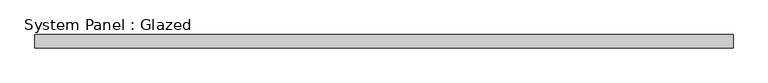
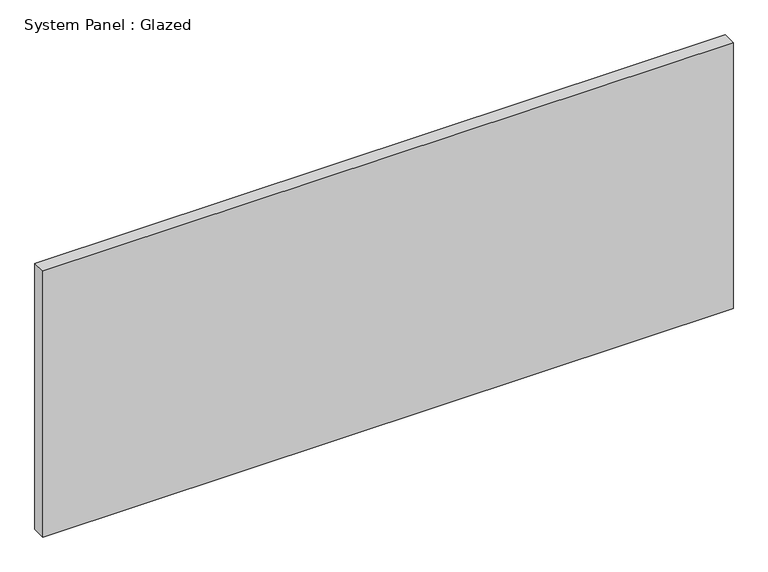
"""IFC4 building model written with IfcOpenShell, lengths in millimetres: plate geometry, System Panel : Glazed."""

import ifcopenshell
import ifcopenshell.guid

model = None  # the IFC model being written
_history = None  # IfcOwnerHistory: only IFC2X3 demands one
_inside = {}  # id of a spatial element -> (the spatial element, [elements in it])
_under = {}  # id of a project, library or spatial element -> (it, [spatial elements below it])
_declared = {}  # id of a project -> (the project, [libraries it declares])
_typed = {}  # id of a type object -> (the type object, [elements of that type])
_made_of = {}  # id of a material, layer set ... -> (it, [elements and type objects made of it])


def new_model(schema):
    """Start an empty IFC model of exactly this schema.

    Asked for "IFC4X3", IfcOpenShell would pick the latest addendum, in which some entities
    have other attributes; the version numbers below select the first issue.
    IFC2X3 requires an IfcOwnerHistory on every rooted entity: one is made here for all.
    """
    global model, _history
    if schema == "IFC4X3":
        model = ifcopenshell.file(schema_version=(4, 3, 0, 0))
    else:
        model = ifcopenshell.file(schema=schema)
    _inside.clear()
    _under.clear()
    _declared.clear()
    _typed.clear()
    _made_of.clear()
    _history = None
    if model.schema == "IFC2X3":
        org = make("IfcOrganization", Name="unknown")
        user = make(
            "IfcPersonAndOrganization",
            ThePerson=make("IfcPerson", FamilyName="unknown"),
            TheOrganization=org,
        )
        app = make(
            "IfcApplication",
            ApplicationDeveloper=org,
            Version="unknown",
            ApplicationFullName="unknown",
            ApplicationIdentifier="unknown",
        )
        _history = make(
            "IfcOwnerHistory",
            OwningUser=user,
            OwningApplication=app,
            ChangeAction="ADDED",
            CreationDate=0,
        )
    return model


def make(cls, **values):
    """One entity of the class cls with the attributes given. An attribute that is None is left unset."""
    return model.create_entity(
        cls, **{name: value for name, value in values.items() if value is not None}
    )


def rooted(cls, **values):
    """An entity with a GlobalId (a new one), such as an element, a storey or a relation."""
    return make(cls, GlobalId=ifcopenshell.guid.new(), OwnerHistory=_history, **values)


def si_unit(unit_type, name, prefix=None):
    """IfcSIUnit, for example si_unit("LENGTHUNIT", "METRE", prefix="MILLI")."""
    return make("IfcSIUnit", UnitType=unit_type, Prefix=prefix, Name=name)


def assignment(units):
    """IfcUnitAssignment: the units of a project."""
    return None if units is None else make("IfcUnitAssignment", Units=units)


def point(xyz):
    """IfcCartesianPoint."""
    return None if xyz is None else make("IfcCartesianPoint", Coordinates=xyz)


def direction(xyz):
    """IfcDirection."""
    return None if xyz is None else make("IfcDirection", DirectionRatios=xyz)


def frame(location, z_axis=None, x_axis=None):
    """IfcAxis2Placement3D, a coordinate frame: its origin and axes. An axis left out is left unset."""
    return make(
        "IfcAxis2Placement3D",
        Location=point(location),
        Axis=direction(z_axis),
        RefDirection=direction(x_axis),
    )


def origin():
    """The frame at (0, 0, 0) with its axes left unset."""
    return frame((0.0, 0.0, 0.0))


def origin_with_axes():
    """The frame at (0, 0, 0) with the z axis (0, 0, 1) and the x axis (1, 0, 0) written out."""
    return frame((0.0, 0.0, 0.0), z_axis=(0.0, 0.0, 1.0), x_axis=(1.0, 0.0, 0.0))


def place(relative_to, where):
    """IfcLocalPlacement: puts the frame where relative to a parent placement (None: the world)."""
    return make(
        "IfcLocalPlacement", PlacementRelTo=relative_to, RelativePlacement=where
    )


def context(
    kind, dimensions, precision=None, world=None, true_north=None, identifier=None
):
    """IfcGeometricRepresentationContext, for example the 3D "Model" context."""
    return make(
        "IfcGeometricRepresentationContext",
        ContextIdentifier=identifier,
        ContextType=kind,
        CoordinateSpaceDimension=dimensions,
        Precision=precision,
        WorldCoordinateSystem=world,
        TrueNorth=true_north,
    )


def project(units=None, contexts=None):
    """IfcProject with its units and contexts."""
    return rooted(
        "IfcProject",
        Name="project",
        RepresentationContexts=contexts,
        UnitsInContext=assignment(units),
    )


def spatial(cls, under=None, at=None, **own):
    """A site, building, storey or space (cls), placed at a placement, below another one or the project."""
    s = rooted(cls, ObjectPlacement=at, **own)
    if under is not None:
        _under.setdefault(under.id(), (under, []))[1].append(s)
    return s


def polyline(points):
    """IfcPolyline through the points."""
    return make("IfcPolyline", Points=[point(p) for p in points])


def outline(outer, holes=None, kind="AREA"):
    """IfcArbitraryClosedProfileDef: a profile drawn as a closed curve; with holes, ...WithVoids."""
    if holes is None:
        return make("IfcArbitraryClosedProfileDef", ProfileType=kind, OuterCurve=outer)
    return make(
        "IfcArbitraryProfileDefWithVoids",
        ProfileType=kind,
        OuterCurve=outer,
        InnerCurves=holes,
    )


def extrude(swept, where, along, depth):
    """IfcExtrudedAreaSolid: the profile swept, set in the frame where, extruded along a direction by depth."""
    return make(
        "IfcExtrudedAreaSolid",
        SweptArea=swept,
        Position=where,
        ExtrudedDirection=direction(along),
        Depth=depth,
    )


def shape(context_of_items, identifier, shape_type, items):
    """IfcShapeRepresentation: the items that make up one representation, for example the "Body"."""
    return make(
        "IfcShapeRepresentation",
        ContextOfItems=context_of_items,
        RepresentationIdentifier=identifier,
        RepresentationType=shape_type,
        Items=items,
    )


def source(mapping_origin, context_of_items, identifier, shape_type, items):
    """IfcRepresentationMap: a shape defined once, which mapped items show again and again."""
    return make(
        "IfcRepresentationMap",
        MappingOrigin=mapping_origin,
        MappedRepresentation=shape(context_of_items, identifier, shape_type, items),
    )


def transform(
    local_origin,
    x_axis=None,
    y_axis=None,
    z_axis=None,
    scale=None,
    scale2=None,
    scale3=None,
    uniform=True,
):
    """IfcCartesianTransformationOperator3D, or its non-uniform kind. x_axis, y_axis, z_axis: its Axis1, 2, 3."""
    if uniform:
        return make(
            "IfcCartesianTransformationOperator3D",
            Axis1=direction(x_axis),
            Axis2=direction(y_axis),
            LocalOrigin=point(local_origin),
            Scale=scale,
            Axis3=direction(z_axis),
        )
    return make(
        "IfcCartesianTransformationOperator3DnonUniform",
        Axis1=direction(x_axis),
        Axis2=direction(y_axis),
        LocalOrigin=point(local_origin),
        Scale=scale,
        Axis3=direction(z_axis),
        Scale2=scale2,
        Scale3=scale3,
    )


def mapped(mapping_source, mapping_target):
    """IfcMappedItem: shows the shape of a source again, moved by a transform."""
    return make(
        "IfcMappedItem", MappingSource=mapping_source, MappingTarget=mapping_target
    )


def made_of(thing, what):
    """Note that an element or type object is made of a material, layer set ...; save() writes the relation."""
    if what is not None:
        _made_of.setdefault(what.id(), (what, []))[1].append(thing)
    return thing


def element(
    cls,
    number,
    at=None,
    inside=None,
    cuts=None,
    type_object=None,
    material=None,
    context=None,
    identifier="Body",
    shape_type=None,
    held_by="IfcProductDefinitionShape",
    body=None,
    shapes=None,
    **own,
):
    """One element of the class cls, such as IfcWall. Its Tag is "e" and its number.

    at: its placement. inside: the storey or other place that contains it. cuts: it is an
    opening in that element (IfcRelVoidsElement). A single representation is given by context,
    identifier, shape_type and body (its items); several are given by shapes. held_by: the class
    of the entity that holds the representations. save() writes the other relations.
    """
    e = rooted(cls, Tag="e%d" % number, ObjectPlacement=at, **own)
    if body is not None:
        shapes = [shape(context, identifier, shape_type, body)]
    if shapes is not None:
        e.Representation = make(held_by, Representations=shapes)
    if inside is not None:
        _inside.setdefault(inside.id(), (inside, []))[1].append(e)
    if cuts is not None:
        rooted(
            "IfcRelVoidsElement", RelatingBuildingElement=cuts, RelatedOpeningElement=e
        )
    if type_object is not None:
        _typed.setdefault(type_object.id(), (type_object, []))[1].append(e)
    return made_of(e, material)


def aggregate(whole, parts):
    """IfcRelAggregates: a whole, such as a stair, and the parts it consists of."""
    return rooted("IfcRelAggregates", RelatingObject=whole, RelatedObjects=parts)


def save(model, path):
    """Write the relations noted so far, then the file.

    IfcRelAggregates (storeys below a building ...), IfcRelContainedInSpatialStructure (elements
    in a storey), IfcRelDefinesByType, IfcRelAssociatesMaterial and IfcRelDeclares: one each for
    every whole, place, type object, material and project.
    """
    for whole, parts in _under.values():
        aggregate(whole, parts)
    for where, things in _inside.values():
        rooted(
            "IfcRelContainedInSpatialStructure",
            RelatedElements=things,
            RelatingStructure=where,
        )
    for kind, things in _typed.values():
        rooted("IfcRelDefinesByType", RelatedObjects=things, RelatingType=kind)
    for what, things in _made_of.values():
        rooted("IfcRelAssociatesMaterial", RelatedObjects=things, RelatingMaterial=what)
    for by, libraries in _declared.values():
        rooted("IfcRelDeclares", RelatingContext=by, RelatedDefinitions=libraries)
    model.write(path)


def system_panel_glazed_a7b8456a(model_context):
    return source(origin(), model_context, "Body", "SweptSolid", [
        extrude(outline(polyline([(643.75, 24.5), (-643.75, 24.5), (-643.75, 49.5), (643.75, 49.5), (643.75, 24.5)])), origin_with_axes(), (0.0, 0.0, 1.0), 525.0),
    ])


if __name__ == "__main__":
    model = new_model("IFC4")
    model_context = context("Model", 3, world=origin())
    ifc_project = project(units=[si_unit("LENGTHUNIT", "METRE", prefix="MILLI")], contexts=[model_context])
    site = spatial("IfcSite", under=ifc_project)
    building = spatial("IfcBuilding", under=site)
    placement = place(None, origin())
    system_panel_glazed_shape = system_panel_glazed_a7b8456a(model_context)
    element("IfcPlate", 1, ObjectType="System Panel : Glazed", at=placement, inside=building, context=model_context, shape_type="MappedRepresentation", body=[
        mapped(system_panel_glazed_shape, transform((0.0, 0.0, 0.0), x_axis=(1.0, 0.0, 0.0), y_axis=(0.0, 1.0, 0.0), z_axis=(0.0, 0.0, 1.0))),
    ])
    save(model, "model.ifc")
